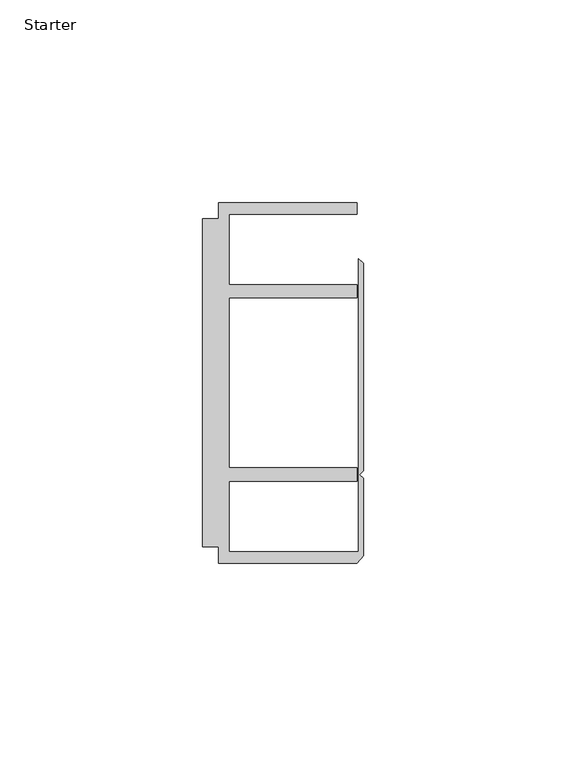
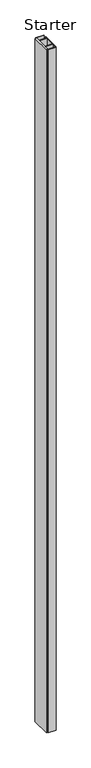
"""IFC4 building model written with IfcOpenShell, lengths in millimetres: furniture geometry, Starter."""

from ifc_helpers import new_model, si_unit, origin, origin_with_axes, place, context, project, spatial, polyline, outline, extrude, source, transform, mapped, element, save


def starter_425c6827(model_context):
    return source(origin(), model_context, "Body", "SweptSolid", [
        extrude(outline(polyline([(33.9771533, 59.951805), (68.0771531, 59.951805), (68.0771531, 57.1518064), (36.5771534, 57.1518064), (36.5771534, 39.7518058), (68.0771531, 39.7518058), (68.0771531, 36.4518057), (36.5771534, 36.4518057), (36.5771534, -5.4481956), (68.0771531, -5.4481956), (68.0771531, -8.7481957), (36.5771534, -8.7481957), (36.5771534, -26.1481963), (68.5195633, -26.1481963), (68.5195633, 46.1177636), (69.6646531, 44.9726737), (69.6646531, -6.2135897), (68.7563205, -7.1219223), (69.6646531, -8.0302549), (69.6646531, -27.0760904), (68.0771531, -28.948195), (33.9771533, -28.948195), (33.9771533, -24.9481962), (29.9771531, -24.9481962), (29.9771531, 55.9518063), (33.9771533, 55.9518063), (33.9771533, 59.951805)])), origin_with_axes(), (0.0, 0.0, 1.0), 3048.0),
    ])


if __name__ == "__main__":
    model = new_model("IFC4")
    model_context = context("Model", 3, world=origin())
    ifc_project = project(units=[si_unit("LENGTHUNIT", "METRE", prefix="MILLI")], contexts=[model_context])
    site = spatial("IfcSite", under=ifc_project)
    building = spatial("IfcBuilding", under=site)
    placement = place(None, origin())
    starter_shape = starter_425c6827(model_context)
    element("IfcFurniture", 1, ObjectType="Starter", at=placement, inside=building, context=model_context, shape_type="MappedRepresentation", body=[
        mapped(starter_shape, transform((0.0, 0.0, 0.0), x_axis=(1.0, 0.0, 0.0), y_axis=(0.0, 1.0, 0.0), z_axis=(0.0, 0.0, 1.0))),
    ])
    save(model, "model.ifc")
